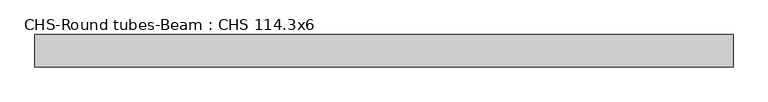
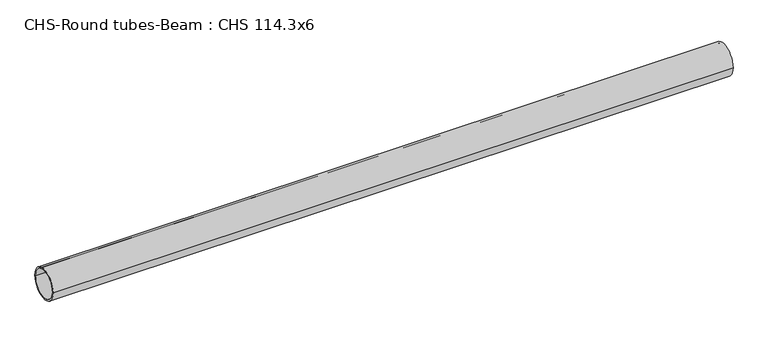
"""IFC4 building model written with IfcOpenShell, lengths in millimetres: beam geometry, CHS-Round tubes-Beam : CHS 114.3x6."""

from ifc_helpers import new_model, si_unit, point, frame, origin, origin_2d, place, context, project, spatial, circle_curve, trimmed, segment, composite_curve, outline, extrude, source, transform, mapped, element, save


def chs_round_tubes_beam_chs_114_3x6_1ee42fb4(model_context):
    return source(origin(), model_context, "Body", "SweptSolid", [
        extrude(outline(composite_curve([segment(trimmed(circle_curve(origin_2d(), 57.15), [point((57.15, 0.0))], [point((-57.15, 0.0))], False, "CARTESIAN"), True, "CONTINUOUS"), segment(trimmed(circle_curve(origin_2d(), 57.15), [point((-57.15, 0.0))], [point((57.15, 0.0))], False, "CARTESIAN"), True, "CONTINUOUS")], self_intersect=False), holes=[composite_curve([segment(trimmed(circle_curve(origin_2d(), 51.15), [point((51.15, 0.0))], [point((-51.15, 0.0))], True, "CARTESIAN"), True, "CONTINUOUS"), segment(trimmed(circle_curve(origin_2d(), 51.15), [point((-51.15, 0.0))], [point((51.15, 0.0))], True, "CARTESIAN"), True, "CONTINUOUS")], self_intersect=False)]), frame((-1191.0738929, 0.0, 0.0), z_axis=(1.0, 0.0, 0.0), x_axis=(0.0, 1.0, 0.0)), (0.0, 0.0, 1.0), 2476.9059727),
    ])


if __name__ == "__main__":
    model = new_model("IFC4")
    model_context = context("Model", 3, world=origin())
    ifc_project = project(units=[si_unit("LENGTHUNIT", "METRE", prefix="MILLI")], contexts=[model_context])
    site = spatial("IfcSite", under=ifc_project)
    building = spatial("IfcBuilding", under=site)
    placement = place(None, origin())
    chs_round_tubes_beam_chs_114_3x6_shape = chs_round_tubes_beam_chs_114_3x6_1ee42fb4(model_context)
    element("IfcBeam", 1, ObjectType="CHS-Round tubes-Beam : CHS 114.3x6", at=placement, inside=building, context=model_context, shape_type="MappedRepresentation", body=[
        mapped(chs_round_tubes_beam_chs_114_3x6_shape, transform((0.0, 0.0, 0.0), x_axis=(1.0, 0.0, 0.0), y_axis=(0.0, 1.0, 0.0), z_axis=(0.0, 0.0, 1.0))),
    ])
    save(model, "model.ifc")
